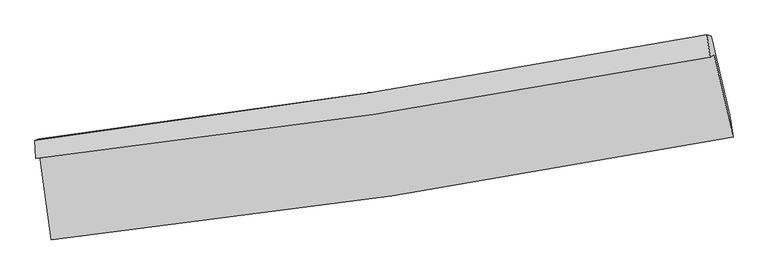
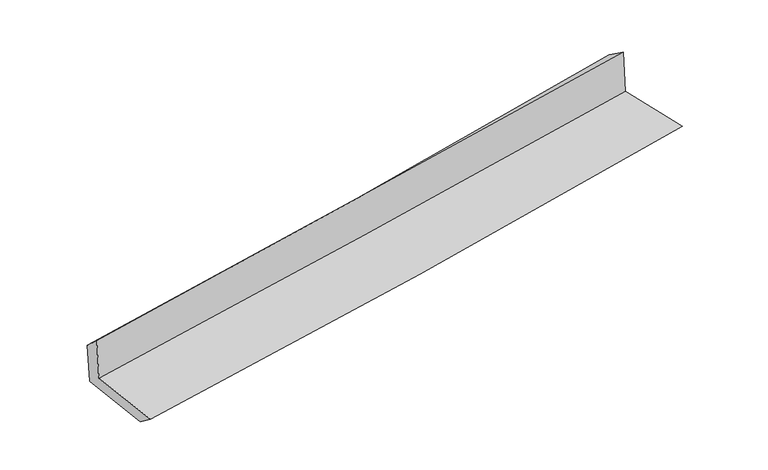
"""IFC4 building model written with IfcOpenShell, lengths in millimetres: proxy geometry."""

import ifcopenshell
import ifcopenshell.guid

model = None  # the IFC model being written
_history = None  # IfcOwnerHistory: only IFC2X3 demands one
_inside = {}  # id of a spatial element -> (the spatial element, [elements in it])
_under = {}  # id of a project, library or spatial element -> (it, [spatial elements below it])
_declared = {}  # id of a project -> (the project, [libraries it declares])
_typed = {}  # id of a type object -> (the type object, [elements of that type])
_made_of = {}  # id of a material, layer set ... -> (it, [elements and type objects made of it])


def new_model(schema):
    """Start an empty IFC model of exactly this schema.

    Asked for "IFC4X3", IfcOpenShell would pick the latest addendum, in which some entities
    have other attributes; the version numbers below select the first issue.
    IFC2X3 requires an IfcOwnerHistory on every rooted entity: one is made here for all.
    """
    global model, _history
    if schema == "IFC4X3":
        model = ifcopenshell.file(schema_version=(4, 3, 0, 0))
    else:
        model = ifcopenshell.file(schema=schema)
    _inside.clear()
    _under.clear()
    _declared.clear()
    _typed.clear()
    _made_of.clear()
    _history = None
    if model.schema == "IFC2X3":
        org = make("IfcOrganization", Name="unknown")
        user = make(
            "IfcPersonAndOrganization",
            ThePerson=make("IfcPerson", FamilyName="unknown"),
            TheOrganization=org,
        )
        app = make(
            "IfcApplication",
            ApplicationDeveloper=org,
            Version="unknown",
            ApplicationFullName="unknown",
            ApplicationIdentifier="unknown",
        )
        _history = make(
            "IfcOwnerHistory",
            OwningUser=user,
            OwningApplication=app,
            ChangeAction="ADDED",
            CreationDate=0,
        )
    return model


def make(cls, **values):
    """One entity of the class cls with the attributes given. An attribute that is None is left unset."""
    return model.create_entity(
        cls, **{name: value for name, value in values.items() if value is not None}
    )


def rooted(cls, **values):
    """An entity with a GlobalId (a new one), such as an element, a storey or a relation."""
    return make(cls, GlobalId=ifcopenshell.guid.new(), OwnerHistory=_history, **values)


def si_unit(unit_type, name, prefix=None):
    """IfcSIUnit, for example si_unit("LENGTHUNIT", "METRE", prefix="MILLI")."""
    return make("IfcSIUnit", UnitType=unit_type, Prefix=prefix, Name=name)


def assignment(units):
    """IfcUnitAssignment: the units of a project."""
    return None if units is None else make("IfcUnitAssignment", Units=units)


def point(xyz):
    """IfcCartesianPoint."""
    return None if xyz is None else make("IfcCartesianPoint", Coordinates=xyz)


def direction(xyz):
    """IfcDirection."""
    return None if xyz is None else make("IfcDirection", DirectionRatios=xyz)


def frame(location, z_axis=None, x_axis=None):
    """IfcAxis2Placement3D, a coordinate frame: its origin and axes. An axis left out is left unset."""
    return make(
        "IfcAxis2Placement3D",
        Location=point(location),
        Axis=direction(z_axis),
        RefDirection=direction(x_axis),
    )


def origin():
    """The frame at (0, 0, 0) with its axes left unset."""
    return frame((0.0, 0.0, 0.0))


def place(relative_to, where):
    """IfcLocalPlacement: puts the frame where relative to a parent placement (None: the world)."""
    return make(
        "IfcLocalPlacement", PlacementRelTo=relative_to, RelativePlacement=where
    )


def context(
    kind, dimensions, precision=None, world=None, true_north=None, identifier=None
):
    """IfcGeometricRepresentationContext, for example the 3D "Model" context."""
    return make(
        "IfcGeometricRepresentationContext",
        ContextIdentifier=identifier,
        ContextType=kind,
        CoordinateSpaceDimension=dimensions,
        Precision=precision,
        WorldCoordinateSystem=world,
        TrueNorth=true_north,
    )


def project(units=None, contexts=None):
    """IfcProject with its units and contexts."""
    return rooted(
        "IfcProject",
        Name="project",
        RepresentationContexts=contexts,
        UnitsInContext=assignment(units),
    )


def spatial(cls, under=None, at=None, **own):
    """A site, building, storey or space (cls), placed at a placement, below another one or the project."""
    s = rooted(cls, ObjectPlacement=at, **own)
    if under is not None:
        _under.setdefault(under.id(), (under, []))[1].append(s)
    return s


def shape(context_of_items, identifier, shape_type, items):
    """IfcShapeRepresentation: the items that make up one representation, for example the "Body"."""
    return make(
        "IfcShapeRepresentation",
        ContextOfItems=context_of_items,
        RepresentationIdentifier=identifier,
        RepresentationType=shape_type,
        Items=items,
    )


def source(mapping_origin, context_of_items, identifier, shape_type, items):
    """IfcRepresentationMap: a shape defined once, which mapped items show again and again."""
    return make(
        "IfcRepresentationMap",
        MappingOrigin=mapping_origin,
        MappedRepresentation=shape(context_of_items, identifier, shape_type, items),
    )


def transform(
    local_origin,
    x_axis=None,
    y_axis=None,
    z_axis=None,
    scale=None,
    scale2=None,
    scale3=None,
    uniform=True,
):
    """IfcCartesianTransformationOperator3D, or its non-uniform kind. x_axis, y_axis, z_axis: its Axis1, 2, 3."""
    if uniform:
        return make(
            "IfcCartesianTransformationOperator3D",
            Axis1=direction(x_axis),
            Axis2=direction(y_axis),
            LocalOrigin=point(local_origin),
            Scale=scale,
            Axis3=direction(z_axis),
        )
    return make(
        "IfcCartesianTransformationOperator3DnonUniform",
        Axis1=direction(x_axis),
        Axis2=direction(y_axis),
        LocalOrigin=point(local_origin),
        Scale=scale,
        Axis3=direction(z_axis),
        Scale2=scale2,
        Scale3=scale3,
    )


def mapped(mapping_source, mapping_target):
    """IfcMappedItem: shows the shape of a source again, moved by a transform."""
    return make(
        "IfcMappedItem", MappingSource=mapping_source, MappingTarget=mapping_target
    )


def made_of(thing, what):
    """Note that an element or type object is made of a material, layer set ...; save() writes the relation."""
    if what is not None:
        _made_of.setdefault(what.id(), (what, []))[1].append(thing)
    return thing


def element(
    cls,
    number,
    at=None,
    inside=None,
    cuts=None,
    type_object=None,
    material=None,
    context=None,
    identifier="Body",
    shape_type=None,
    held_by="IfcProductDefinitionShape",
    body=None,
    shapes=None,
    **own,
):
    """One element of the class cls, such as IfcWall. Its Tag is "e" and its number.

    at: its placement. inside: the storey or other place that contains it. cuts: it is an
    opening in that element (IfcRelVoidsElement). A single representation is given by context,
    identifier, shape_type and body (its items); several are given by shapes. held_by: the class
    of the entity that holds the representations. save() writes the other relations.
    """
    e = rooted(cls, Tag="e%d" % number, ObjectPlacement=at, **own)
    if body is not None:
        shapes = [shape(context, identifier, shape_type, body)]
    if shapes is not None:
        e.Representation = make(held_by, Representations=shapes)
    if inside is not None:
        _inside.setdefault(inside.id(), (inside, []))[1].append(e)
    if cuts is not None:
        rooted(
            "IfcRelVoidsElement", RelatingBuildingElement=cuts, RelatedOpeningElement=e
        )
    if type_object is not None:
        _typed.setdefault(type_object.id(), (type_object, []))[1].append(e)
    return made_of(e, material)


def aggregate(whole, parts):
    """IfcRelAggregates: a whole, such as a stair, and the parts it consists of."""
    return rooted("IfcRelAggregates", RelatingObject=whole, RelatedObjects=parts)


def save(model, path):
    """Write the relations noted so far, then the file.

    IfcRelAggregates (storeys below a building ...), IfcRelContainedInSpatialStructure (elements
    in a storey), IfcRelDefinesByType, IfcRelAssociatesMaterial and IfcRelDeclares: one each for
    every whole, place, type object, material and project.
    """
    for whole, parts in _under.values():
        aggregate(whole, parts)
    for where, things in _inside.values():
        rooted(
            "IfcRelContainedInSpatialStructure",
            RelatedElements=things,
            RelatingStructure=where,
        )
    for kind, things in _typed.values():
        rooted("IfcRelDefinesByType", RelatedObjects=things, RelatingType=kind)
    for what, things in _made_of.values():
        rooted("IfcRelAssociatesMaterial", RelatedObjects=things, RelatingMaterial=what)
    for by, libraries in _declared.values():
        rooted("IfcRelDeclares", RelatingContext=by, RelatedDefinitions=libraries)
    model.write(path)


def plane_surface(at):
    """IfcPlane: the flat surface through the origin of the frame at, square to its z axis."""
    return make("IfcPlane", Position=at)


def spline_curve(degree, points, multiplicities, knots, weights=None):
    """IfcBSplineCurveWithKnots; with weights, IfcRationalBSplineCurveWithKnots."""
    own = dict(
        Degree=degree,
        ControlPointsList=[point(p) for p in points],
        CurveForm="UNSPECIFIED",
        ClosedCurve=False,
        SelfIntersect=False,
        KnotMultiplicities=multiplicities,
        Knots=knots,
        KnotSpec="UNSPECIFIED",
    )
    if weights is None:
        return make("IfcBSplineCurveWithKnots", **own)
    return make("IfcRationalBSplineCurveWithKnots", WeightsData=weights, **own)


def spline_surface(u_degree, v_degree, points, u_multiplicities, v_multiplicities, u_knots, v_knots, weights=None):
    """IfcBSplineSurfaceWithKnots; with weights, IfcRationalBSplineSurfaceWithKnots. points: one row for each step in u."""
    own = dict(
        UDegree=u_degree,
        VDegree=v_degree,
        ControlPointsList=[[point(p) for p in row] for row in points],
        SurfaceForm="UNSPECIFIED",
        UClosed=False,
        VClosed=False,
        SelfIntersect=False,
        UMultiplicities=u_multiplicities,
        VMultiplicities=v_multiplicities,
        UKnots=u_knots,
        VKnots=v_knots,
        KnotSpec="UNSPECIFIED",
    )
    if weights is None:
        return make("IfcBSplineSurfaceWithKnots", **own)
    return make("IfcRationalBSplineSurfaceWithKnots", WeightsData=weights, **own)


def advanced_brep(points, edges, surfaces, faces):
    """IfcAdvancedBrep: a solid bounded by faces that lie on surfaces and meet in shared edges.

    An edge is (start, end): straight between two places in points (the first is 0);
    or (start, end, curve); or (start, end, curve, False) where it runs against its curve.
    A face is (place in surfaces, loops), or (place, loops, False) where it looks against
    its surface's normal. A loop lists edges by number (the first is 1), with a minus sign
    where the edge is run from its end to its start. The first loop is the outer one.
    """
    corners = [point(p) for p in points]
    vertices = [make("IfcVertexPoint", VertexGeometry=c) for c in corners]
    made = []
    for start, end, *more in edges:
        made.append(
            make(
                "IfcEdgeCurve",
                EdgeStart=vertices[start],
                EdgeEnd=vertices[end],
                EdgeGeometry=more[0] if more else make("IfcPolyline", Points=[corners[start], corners[end]]),
                SameSense=more[1] if len(more) > 1 else True,
            )
        )
    hull = []
    for where, loops, *sense in faces:
        bounds = []
        for j, loop in enumerate(loops):
            ring = [make("IfcOrientedEdge", EdgeElement=made[abs(k) - 1], Orientation=k > 0) for k in loop]
            bounds.append(
                make(
                    "IfcFaceOuterBound" if j == 0 else "IfcFaceBound",
                    Bound=make("IfcEdgeLoop", EdgeList=ring),
                    Orientation=True,
                )
            )
        hull.append(make("IfcAdvancedFace", Bounds=bounds, FaceSurface=surfaces[where], SameSense=sense[0] if sense else True))
    return make("IfcAdvancedBrep", Outer=make("IfcClosedShell", CfsFaces=hull))


def generic_models_656b19ff(model_context):
    return source(origin(), model_context, "Body", "AdvancedBrep", [
        advanced_brep(
        [(-2693.7042427, -1884.5721692, 1662.8455686), (-2602.3481785, -2551.8162847, 1635.0298695), (2786.6972781, -1737.5040322, 2119.2489386), (2638.6508684, -1084.1867449, 2116.5638303), (-2724.2443604, -1904.9554794, 2051.4972725), (2606.8293996, -1105.4252638, 2521.5219307), (-2732.4151421, -1764.148456, 1927.5616276), (2577.4042158, -927.1308325, 2399.4678278), (-2702.3020081, -1750.7902852, 1554.8468314), (2614.5596194, -938.3144315, 2016.8917124), (-2612.6345797, -2405.7009853, 1527.5452809), (2758.3412722, -1563.21117, 1995.4165577)],
        [
            (0, 1),
            (1, 2, spline_curve(3, [(-2602.3481785, -2551.8162847, 1635.0298695), (-1703.129736115, -2454.894457374, 1730.247749011), (-805.600030987, -2338.801263988, 1818.122254868), (990.766161332, -2067.564860396, 1979.605607348), (1889.584941599, -1912.220636471, 2053.137458022), (2786.6972781, -1737.5040322, 2119.2489386)], [4, 2, 4], [0.0, 8.905571474703255, 17.857709223562743])),
            (2, 3),
            (3, 0, spline_curve(3, [(2638.6508684, -1084.1867449, 2116.5638303), (1750.750564828, -1251.270054977, 2064.245412953), (861.274655547, -1401.640954437, 2000.147117239), (-916.193396932, -1668.262682506, 1848.785464941), (-1804.169191527, -1784.686924207, 1761.64433981), (-2693.7042427, -1884.5721692, 1662.8455686)], [4, 2, 4], [0.0, 8.952137748859489, 17.857709223562743])),
            (4, 0),
            (3, 5),
            (5, 4, spline_curve(3, [(2606.8293996, -1105.4252638, 2521.5219307), (1718.452408309, -1272.826728172, 2475.26981338), (828.846113551, -1423.284650803, 2412.830796166), (-948.191228669, -1689.618910751, 2255.987949334), (-1835.609520691, -1805.671060154, 2161.752080568), (-2724.2443604, -1904.9554794, 2051.4972725)], [4, 2, 4], [0.0, 8.902768170904821, 17.759226873051908])),
            (6, 4),
            (5, 7),
            (7, 6, spline_curve(3, [(2577.4042158, -927.1308325, 2399.4678278), (1694.647818405, -1091.417504884, 2321.649537952), (809.62494209, -1243.462356246, 2243.310976963), (-960.338361474, -1522.341205677, 2086.00351169), (-1845.255271177, -1649.302228714, 2007.040006044), (-2732.4151421, -1764.148456, 1927.5616276)], [4, 2, 4], [0.0, 8.889066044104263, 17.731893893710755])),
            (8, 6),
            (7, 9),
            (9, 8, spline_curve(3, [(2614.5596194, -938.3144315, 2016.8917124), (1732.626493838, -1107.139734713, 1930.279597386), (847.424259569, -1259.392156839, 1848.381657213), (-924.896871016, -1530.045476013, 1694.415612855), (-1811.981845861, -1648.618338284, 1622.298592605), (-2702.3020081, -1750.7902852, 1554.8468314)], [4, 2, 4], [0.0, 8.878167305385722, 17.710153108168875])),
            (10, 8),
            (9, 11),
            (11, 10, spline_curve(3, [(2758.3412722, -1563.21117, 1995.4165577), (1865.737810263, -1734.382212637, 1907.842946216), (970.681252603, -1890.318670571, 1824.977442762), (-819.669485728, -2170.990530247, 1669.069203629), (-1714.938211624, -2295.884010243, 1595.977614468), (-2612.6345797, -2405.7009853, 1527.5452809)], [4, 2, 4], [0.0, 8.928476471371505, 17.81050974729326])),
            (1, 10),
            (11, 2),
        ],
        [
            spline_surface(3, 3, [[(-2693.7042427, -1884.5721692, 1662.8455686), (-1804.169191607, -1784.686924294, 1761.644339851), (-916.193397043, -1668.262682457, 1848.785464863), (861.274655658, -1401.640954487, 2000.147117318), (1750.750564794, -1251.270054895, 2064.245412873), (2638.6508684, -1084.1867449, 2116.5638303)], [(-2663.252221301, -2106.986874386, 1653.573668899), (-1770.48937311, -2008.089435329, 1751.178809602), (-879.328941654, -1891.775542918, 1838.564394881), (904.438490861, -1623.615589837, 1993.299947374), (1797.02869038, -1471.586915467, 2060.542761264), (2687.999671623, -1301.95917403, 2117.458866403)], [(-2632.800199899, -2329.401579514, 1644.301769201), (-1736.80955461, -2231.491946306, 1740.713279356), (-842.464486289, -2115.288403382, 1828.343324806), (947.602326041, -1845.59022519, 1986.452777337), (1843.306815999, -1691.903775949, 2056.840109647), (2737.348474877, -1519.73160307, 2118.353902497)], [(-2602.3481785, -2551.8162847, 1635.0298695), (-1703.129736113, -2454.89445734, 1730.247749108), (-805.6000309, -2338.801263844, 1818.122254824), (990.766161245, -2067.564860541, 1979.605607393), (1889.584941585, -1912.220636521, 2053.137458037), (2786.6972781, -1737.5040322, 2119.2489386)]], [4, 4], [4, 2, 4], [0.0, 2.229023451925508], [0.0, 8.905571474703255, 17.857709223562743]),
            spline_surface(3, 3, [[(-2724.2443604, -1904.9554794, 2051.4972725), (-1835.60952076, -1805.671060251, 2161.752080647), (-948.191228729, -1689.618910822, 2255.987949426), (828.846113611, -1423.284650732, 2412.830796074), (1718.45240821, -1272.826728266, 2475.269813392), (2606.8293996, -1105.4252638, 2521.5219307)], [(-2714.064321163, -1898.161042656, 1921.946704512), (-1825.129411038, -1798.676348255, 2028.382833694), (-937.525284829, -1682.50016801, 2120.253787884), (839.655627631, -1416.070085294, 2275.269569801), (1729.218460391, -1265.641170449, 2338.26167988), (2617.436555853, -1098.345757473, 2386.535897227)], [(-2703.884281937, -1891.366605944, 1792.396136588), (-1814.649301329, -1791.68163629, 1895.013586804), (-926.859340943, -1675.381425268, 1984.519626405), (850.465141637, -1408.855519925, 2137.708343591), (1739.984512613, -1258.455612713, 2201.253546386), (2628.043712147, -1091.266251227, 2251.549863773)], [(-2693.7042427, -1884.5721692, 1662.8455686), (-1804.169191607, -1784.686924294, 1761.644339851), (-916.193397043, -1668.262682457, 1848.785464863), (861.274655658, -1401.640954487, 2000.147117318), (1750.750564794, -1251.270054895, 2064.245412873), (2638.6508684, -1084.1867449, 2116.5638303)]], [4, 4], [4, 2, 4], [0.0, 1.3509932114503376], [0.0, 8.856458702147087, 17.759226873051908]),
            spline_surface(3, 3, [[(-2732.4151421, -1764.148456, 1927.5616276), (-1845.255271148, -1649.302228624, 2007.04000601), (-960.338361537, -1522.341205628, 2086.003511706), (809.624942153, -1243.462356295, 2243.310976947), (1694.647818525, -1091.41750477, 2321.64953798), (2577.4042158, -927.1308325, 2399.4678278)], [(-2729.691548197, -1811.084130481, 1968.873509233), (-1842.040021016, -1701.425172513, 2058.610697556), (-956.289317275, -1578.10044069, 2142.664990955), (816.031999299, -1303.403121105, 2299.817583331), (1702.582681782, -1151.887245953, 2372.856296433), (2587.212610429, -986.562309618, 2440.152528749)], [(-2726.967954303, -1858.019804919, 2010.185390867), (-1838.824770893, -1753.548116361, 2110.181389101), (-952.240272991, -1633.859675759, 2199.326470177), (822.439056466, -1363.343885922, 2356.32418969), (1710.517544952, -1212.356987083, 2424.063054939), (2597.021004971, -1045.993786682, 2480.837229751)], [(-2724.2443604, -1904.9554794, 2051.4972725), (-1835.60952076, -1805.671060251, 2161.752080647), (-948.191228729, -1689.618910822, 2255.987949426), (828.846113611, -1423.284650732, 2412.830796074), (1718.45240821, -1272.826728266, 2475.269813392), (2606.8293996, -1105.4252638, 2521.5219307)]], [4, 4], [4, 2, 4], [0.0, 0.7982140032741414], [0.0, 8.842827849606492, 17.731893893710755]),
            spline_surface(3, 3, [[(-2702.3020081, -1750.7902852, 1554.8468314), (-1811.981845846, -1648.618338248, 1622.298592581), (-924.896870982, -1530.045475875, 1694.415612787), (847.424259535, -1259.392156977, 1848.381657281), (1732.62649383, -1107.139734773, 1930.279597432), (2614.5596194, -938.3144315, 2016.8917124)], [(-2712.339719435, -1755.243008801, 1679.085096795), (-1823.072987615, -1648.846301708, 1750.545730386), (-936.710701176, -1527.477385822, 1824.944912427), (834.824487066, -1254.082223445, 1980.024763836), (1719.966935381, -1101.898991445, 2060.73624429), (2602.174484853, -934.586565173, 2144.417084209)], [(-2722.377430765, -1759.695732399, 1803.323362205), (-1834.164129379, -1649.074265164, 1878.792868205), (-948.524531343, -1524.909295681, 1955.474212066), (822.224714623, -1248.772289827, 2111.667870392), (1707.307376974, -1096.658248098, 2191.192891122), (2589.789350347, -930.858698827, 2271.942455991)], [(-2732.4151421, -1764.148456, 1927.5616276), (-1845.255271148, -1649.302228624, 2007.04000601), (-960.338361537, -1522.341205628, 2086.003511706), (809.624942153, -1243.462356295, 2243.310976947), (1694.647818525, -1091.41750477, 2321.64953798), (2577.4042158, -927.1308325, 2399.4678278)]], [4, 4], [4, 2, 4], [0.0, 1.2964123907672138], [0.0, 8.831985802783153, 17.710153108168875]),
            spline_surface(3, 3, [[(-2612.6345797, -2405.7009853, 1527.5452809), (-1714.938211679, -2295.884010385, 1595.977614571), (-819.669485608, -2170.990530102, 1669.0692035), (970.681252482, -1890.318670717, 1824.977442891), (1865.737810394, -1734.382212585, 1907.842946222), (2758.3412722, -1563.21117, 1995.4165577)], [(-2642.523722506, -2187.397418573, 1536.645797762), (-1747.286089741, -2080.128786312, 1604.751273937), (-854.745280718, -1957.342178679, 1677.518006586), (929.595588181, -1680.009832789, 1832.778847678), (1821.367371547, -1525.301386636, 1915.321829973), (2710.414054607, -1354.912257155, 2002.574942614)], [(-2672.412865294, -1969.093851927, 1545.746314538), (-1779.633967784, -1864.37356232, 1613.524933216), (-889.821075872, -1743.693827299, 1685.966809701), (888.509923836, -1469.700994905, 1840.580252494), (1776.996932678, -1316.220560722, 1922.800713682), (2662.486836993, -1146.613344345, 2009.733327486)], [(-2702.3020081, -1750.7902852, 1554.8468314), (-1811.981845846, -1648.618338248, 1622.298592581), (-924.896870982, -1530.045475875, 1694.415612787), (847.424259535, -1259.392156977, 1848.381657281), (1732.62649383, -1107.139734773, 1930.279597432), (2614.5596194, -938.3144315, 2016.8917124)]], [4, 4], [4, 2, 4], [0.0, 2.121252816283457], [0.0, 8.882033275921755, 17.81050974729326]),
            spline_surface(3, 3, [[(-2602.3481785, -2551.8162847, 1635.0298695), (-1703.129736113, -2454.89445734, 1730.247749108), (-805.6000309, -2338.801263844, 1818.122254824), (990.766161245, -2067.564860541, 1979.605607393), (1889.584941585, -1912.220636521, 2053.137458037), (2786.6972781, -1737.5040322, 2119.2489386)], [(-2605.776978899, -2503.111184902, 1599.201673297), (-1707.065894634, -2401.890975024, 1685.491037593), (-810.289849148, -2282.864352608, 1768.437904373), (984.071191646, -2008.482797278, 1928.062885883), (1881.635897857, -1852.94116186, 2004.705954097), (2777.245276136, -1679.406411451, 2077.971478298)], [(-2609.205779301, -2454.406085098, 1563.373477103), (-1711.002053159, -2348.887492701, 1640.734326086), (-814.97966736, -2226.927441337, 1718.75355395), (977.376222081, -1949.400733979, 1876.520164401), (1873.686854122, -1793.661687246, 1956.274450163), (2767.793274164, -1621.308790749, 2036.694018002)], [(-2612.6345797, -2405.7009853, 1527.5452809), (-1714.938211679, -2295.884010385, 1595.977614571), (-819.669485608, -2170.990530102, 1669.0692035), (970.681252482, -1890.318670717, 1824.977442891), (1865.737810394, -1734.382212585, 1907.842946222), (2758.3412722, -1563.21117, 1995.4165577)]], [4, 4], [4, 2, 4], [0.0, 0.7562076814957596], [0.0, 8.942121412033051, 17.93100021390839]),
            plane_surface(frame((2663.7471089, -1225.9620792, 2194.8517996), z_axis=(0.9714202033320134, 0.22049208154560163, 0.08789784146426857), x_axis=(-0.09662329161427641, 0.02908314914441191, 0.9948960297204259))),
            plane_surface(frame((-2677.9414186, -2043.6639433, 1726.5544084), z_axis=(-0.9876792412857128, -0.13170522274611543, -0.08451893654486486), x_axis=(-0.13553441730039356, 0.9899128557492063, 0.04126693288207662))),
        ],
        [
            (0, [[1, 2, 3, 4]]),
            (1, [[5, -4, 6, 7]]),
            (2, [[8, -7, 9, 10]]),
            (3, [[11, -10, 12, 13]]),
            (4, [[14, -13, 15, 16]]),
            (5, [[17, -16, 18, -2]]),
            (6, [[-12, -9, -6, -3, -18, -15]]),
            (7, [[-1, -5, -8, -11, -14, -17]]),
        ],
    ),
    ])


if __name__ == "__main__":
    model = new_model("IFC4")
    model_context = context("Model", 3, world=origin())
    ifc_project = project(units=[si_unit("LENGTHUNIT", "METRE", prefix="MILLI")], contexts=[model_context])
    site = spatial("IfcSite", under=ifc_project)
    building = spatial("IfcBuilding", under=site)
    placement = place(None, origin())
    generic_models_shape = generic_models_656b19ff(model_context)
    element("IfcBuildingElementProxy", 1, Name="Generic Models", at=placement, inside=building, context=model_context, shape_type="MappedRepresentation", body=[
        mapped(generic_models_shape, transform((0.0, 0.0, 0.0), x_axis=(1.0, 0.0, 0.0), y_axis=(0.0, 1.0, 0.0), z_axis=(0.0, 0.0, 1.0))),
    ])
    save(model, "model.ifc")
